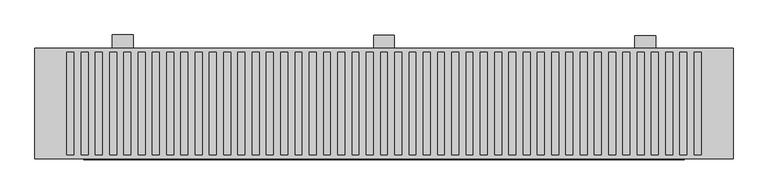
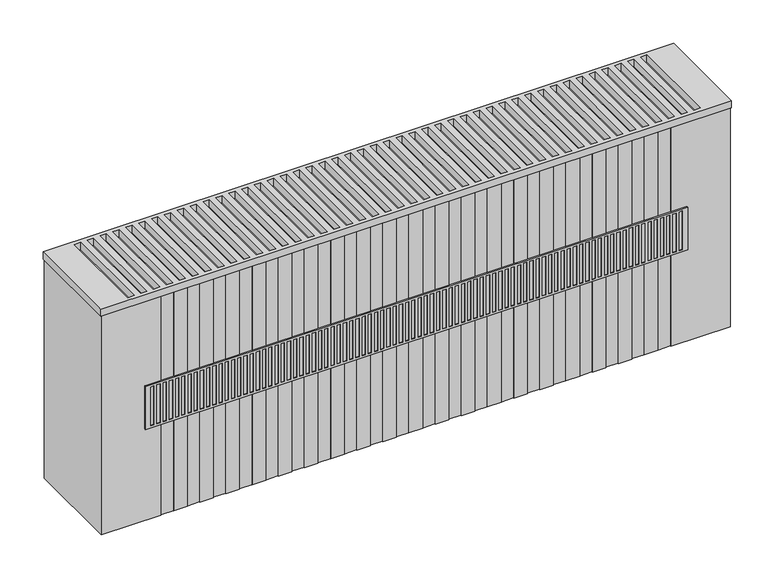
"""IFC4 building model written with IfcOpenShell, lengths in millimetres: proxy geometry."""

from ifc_helpers import new_model, si_unit, point, frame, frame_2d, origin, place, context, project, spatial, polyline, circle_curve, trimmed, segment, composite_curve, outline, extrude, faceted_brep, source, transform, mapped, element, save


def mechanical_equipment_153135a5(model_context):
    return source(origin(), model_context, "Body", "SolidModel", [
        extrude(outline(polyline([(0.5, 380.0), (0.5, 100.0), (0.5, 80.0), (-50.5, 80.0), (-65.5, 100.0), (-19.5, 100.0), (-19.5, 380.0), (0.5, 380.0)])), frame((-115.0, 0.0, 0.0), z_axis=(1.0, 0.0, 0.0), x_axis=(0.0, 1.0, 0.0)), (0.0, 0.0, 1.0), 30.0),
        extrude(outline(polyline([(0.0, 380.0), (0.0, 100.0), (0.0, 80.0), (-51.0, 80.0), (-66.0, 100.0), (-20.0, 100.0), (-20.0, 380.0), (0.0, 380.0)])), frame((260.0, 0.0, 0.0), z_axis=(1.0, 0.0, 0.0), x_axis=(0.0, 1.0, 0.0)), (0.0, 0.0, 1.0), 30.0),
        extrude(outline(polyline([(1.0, 380.0), (1.0, 100.0), (1.0, 80.0), (-50.0, 80.0), (-65.0, 100.0), (-19.0, 100.0), (-19.0, 380.0), (1.0, 380.0)])), frame((-490.0, 0.0, 0.0), z_axis=(1.0, 0.0, 0.0), x_axis=(0.0, 1.0, 0.0)), (0.0, 0.0, 1.0), 30.0),
        faceted_brep([(331.0, -178.0, 326.0), (331.0, -178.0, 254.0), (331.0, -176.0, 254.0), (331.0, -176.0, 326.0), (-531.0, -178.0, 254.0), (-531.0, -178.0, 326.0), (-531.0, -176.0, 326.0), (-531.0, -176.0, 254.0), (322.5, -178.0, 257.5), (317.5, -178.0, 257.5), (317.5, -178.0, 322.5), (322.5, -178.0, 322.5), (-507.6176471, -178.0, 257.5), (-512.6176471, -178.0, 257.5), (-512.6176471, -178.0, 322.5), (-507.6176471, -178.0, 322.5), (-497.7352941, -178.0, 257.5), (-502.7352941, -178.0, 257.5), (-502.7352941, -178.0, 322.5), (-497.7352941, -178.0, 322.5), (-487.8529412, -178.0, 257.5), (-492.8529412, -178.0, 257.5), (-492.8529412, -178.0, 322.5), (-487.8529412, -178.0, 322.5), (-477.9705882, -178.0, 257.5), (-482.9705882, -178.0, 257.5), (-482.9705882, -178.0, 322.5), (-477.9705882, -178.0, 322.5), (-468.0882353, -178.0, 257.5), (-473.0882353, -178.0, 257.5), (-473.0882353, -178.0, 322.5), (-468.0882353, -178.0, 322.5), (-458.2058824, -178.0, 257.5), (-463.2058824, -178.0, 257.5), (-463.2058824, -178.0, 322.5), (-458.2058824, -178.0, 322.5), (-448.3235294, -178.0, 257.5), (-453.3235294, -178.0, 257.5), (-453.3235294, -178.0, 322.5), (-448.3235294, -178.0, 322.5), (-438.4411765, -178.0, 257.5), (-443.4411765, -178.0, 257.5), (-443.4411765, -178.0, 322.5), (-438.4411765, -178.0, 322.5), (-428.5588235, -178.0, 257.5), (-433.5588235, -178.0, 257.5), (-433.5588235, -178.0, 322.5), (-428.5588235, -178.0, 322.5), (-418.6764706, -178.0, 257.5), (-423.6764706, -178.0, 257.5), (-423.6764706, -178.0, 322.5), (-418.6764706, -178.0, 322.5), (-408.7941176, -178.0, 257.5), (-413.7941176, -178.0, 257.5), (-413.7941176, -178.0, 322.5), (-408.7941176, -178.0, 322.5), (-398.9117647, -178.0, 257.5), (-403.9117647, -178.0, 257.5), (-403.9117647, -178.0, 322.5), (-398.9117647, -178.0, 322.5), (-389.0294118, -178.0, 257.5), (-394.0294118, -178.0, 257.5), (-394.0294118, -178.0, 322.5), (-389.0294118, -178.0, 322.5), (-379.1470588, -178.0, 257.5), (-384.1470588, -178.0, 257.5), (-384.1470588, -178.0, 322.5), (-379.1470588, -178.0, 322.5), (-369.2647059, -178.0, 257.5), (-374.2647059, -178.0, 257.5), (-374.2647059, -178.0, 322.5), (-369.2647059, -178.0, 322.5), (-359.3823529, -178.0, 257.5), (-364.3823529, -178.0, 257.5), (-364.3823529, -178.0, 322.5), (-359.3823529, -178.0, 322.5), (-349.5, -178.0, 257.5), (-354.5, -178.0, 257.5), (-354.5, -178.0, 322.5), (-349.5, -178.0, 322.5), (-339.6176471, -178.0, 257.5), (-344.6176471, -178.0, 257.5), (-344.6176471, -178.0, 322.5), (-339.6176471, -178.0, 322.5), (-329.7352941, -178.0, 257.5), (-334.7352941, -178.0, 257.5), (-334.7352941, -178.0, 322.5), (-329.7352941, -178.0, 322.5), (-319.8529412, -178.0, 257.5), (-324.8529412, -178.0, 257.5), (-324.8529412, -178.0, 322.5), (-319.8529412, -178.0, 322.5), (-309.9705882, -178.0, 257.5), (-314.9705882, -178.0, 257.5), (-314.9705882, -178.0, 322.5), (-309.9705882, -178.0, 322.5), (-300.0882353, -178.0, 257.5), (-305.0882353, -178.0, 257.5), (-305.0882353, -178.0, 322.5), (-300.0882353, -178.0, 322.5), (-290.2058824, -178.0, 257.5), (-295.2058824, -178.0, 257.5), (-295.2058824, -178.0, 322.5), (-290.2058824, -178.0, 322.5), (-280.3235294, -178.0, 257.5), (-285.3235294, -178.0, 257.5), (-285.3235294, -178.0, 322.5), (-280.3235294, -178.0, 322.5), (-270.4411765, -178.0, 257.5), (-275.4411765, -178.0, 257.5), (-275.4411765, -178.0, 322.5), (-270.4411765, -178.0, 322.5), (-260.5588235, -178.0, 257.5), (-265.5588235, -178.0, 257.5), (-265.5588235, -178.0, 322.5), (-260.5588235, -178.0, 322.5), (-250.6764706, -178.0, 257.5), (-255.6764706, -178.0, 257.5), (-255.6764706, -178.0, 322.5), (-250.6764706, -178.0, 322.5), (-240.7941176, -178.0, 257.5), (-245.7941176, -178.0, 257.5), (-245.7941176, -178.0, 322.5), (-240.7941176, -178.0, 322.5), (-230.9117647, -178.0, 257.5), (-235.9117647, -178.0, 257.5), (-235.9117647, -178.0, 322.5), (-230.9117647, -178.0, 322.5), (-221.0294118, -178.0, 257.5), (-226.0294118, -178.0, 257.5), (-226.0294118, -178.0, 322.5), (-221.0294118, -178.0, 322.5), (-211.1470588, -178.0, 257.5), (-216.1470588, -178.0, 257.5), (-216.1470588, -178.0, 322.5), (-211.1470588, -178.0, 322.5), (-201.2647059, -178.0, 257.5), (-206.2647059, -178.0, 257.5), (-206.2647059, -178.0, 322.5), (-201.2647059, -178.0, 322.5), (-191.3823529, -178.0, 257.5), (-196.3823529, -178.0, 257.5), (-196.3823529, -178.0, 322.5), (-191.3823529, -178.0, 322.5), (-181.5, -178.0, 257.5), (-186.5, -178.0, 257.5), (-186.5, -178.0, 322.5), (-181.5, -178.0, 322.5), (-171.6176471, -178.0, 257.5), (-176.6176471, -178.0, 257.5), (-176.6176471, -178.0, 322.5), (-171.6176471, -178.0, 322.5), (-161.7352941, -178.0, 257.5), (-166.7352941, -178.0, 257.5), (-166.7352941, -178.0, 322.5), (-161.7352941, -178.0, 322.5), (-151.8529412, -178.0, 257.5), (-156.8529412, -178.0, 257.5), (-156.8529412, -178.0, 322.5), (-151.8529412, -178.0, 322.5), (-141.9705882, -178.0, 257.5), (-146.9705882, -178.0, 257.5), (-146.9705882, -178.0, 322.5), (-141.9705882, -178.0, 322.5), (-132.0882353, -178.0, 257.5), (-137.0882353, -178.0, 257.5), (-137.0882353, -178.0, 322.5), (-132.0882353, -178.0, 322.5), (-122.2058824, -178.0, 257.5), (-127.2058824, -178.0, 257.5), (-127.2058824, -178.0, 322.5), (-122.2058824, -178.0, 322.5), (-112.3235294, -178.0, 257.5), (-117.3235294, -178.0, 257.5), (-117.3235294, -178.0, 322.5), (-112.3235294, -178.0, 322.5), (-102.4411765, -178.0, 257.5), (-107.4411765, -178.0, 257.5), (-107.4411765, -178.0, 322.5), (-102.4411765, -178.0, 322.5), (-92.5588235, -178.0, 257.5), (-97.5588235, -178.0, 257.5), (-97.5588235, -178.0, 322.5), (-92.5588235, -178.0, 322.5), (-82.6764706, -178.0, 257.5), (-87.6764706, -178.0, 257.5), (-87.6764706, -178.0, 322.5), (-82.6764706, -178.0, 322.5), (-72.7941176, -178.0, 257.5), (-77.7941176, -178.0, 257.5), (-77.7941176, -178.0, 322.5), (-72.7941176, -178.0, 322.5), (-62.9117647, -178.0, 257.5), (-67.9117647, -178.0, 257.5), (-67.9117647, -178.0, 322.5), (-62.9117647, -178.0, 322.5), (-53.0294118, -178.0, 257.5), (-58.0294118, -178.0, 257.5), (-58.0294118, -178.0, 322.5), (-53.0294118, -178.0, 322.5), (-43.1470588, -178.0, 257.5), (-48.1470588, -178.0, 257.5), (-48.1470588, -178.0, 322.5), (-43.1470588, -178.0, 322.5), (-33.2647059, -178.0, 257.5), (-38.2647059, -178.0, 257.5), (-38.2647059, -178.0, 322.5), (-33.2647059, -178.0, 322.5), (-23.3823529, -178.0, 257.5), (-28.3823529, -178.0, 257.5), (-28.3823529, -178.0, 322.5), (-23.3823529, -178.0, 322.5), (-13.5, -178.0, 257.5), (-18.5, -178.0, 257.5), (-18.5, -178.0, 322.5), (-13.5, -178.0, 322.5), (-3.6176471, -178.0, 257.5), (-8.6176471, -178.0, 257.5), (-8.6176471, -178.0, 322.5), (-3.6176471, -178.0, 322.5), (6.2647059, -178.0, 257.5), (1.2647059, -178.0, 257.5), (1.2647059, -178.0, 322.5), (6.2647059, -178.0, 322.5), (16.1470588, -178.0, 257.5), (11.1470588, -178.0, 257.5), (11.1470588, -178.0, 322.5), (16.1470588, -178.0, 322.5), (26.0294118, -178.0, 257.5), (21.0294118, -178.0, 257.5), (21.0294118, -178.0, 322.5), (26.0294118, -178.0, 322.5), (35.9117647, -178.0, 257.5), (30.9117647, -178.0, 257.5), (30.9117647, -178.0, 322.5), (35.9117647, -178.0, 322.5), (45.7941176, -178.0, 257.5), (40.7941176, -178.0, 257.5), (40.7941176, -178.0, 322.5), (45.7941176, -178.0, 322.5), (55.6764706, -178.0, 257.5), (50.6764706, -178.0, 257.5), (50.6764706, -178.0, 322.5), (55.6764706, -178.0, 322.5), (65.5588235, -178.0, 257.5), (60.5588235, -178.0, 257.5), (60.5588235, -178.0, 322.5), (65.5588235, -178.0, 322.5), (75.4411765, -178.0, 257.5), (70.4411765, -178.0, 257.5), (70.4411765, -178.0, 322.5), (75.4411765, -178.0, 322.5), (85.3235294, -178.0, 257.5), (80.3235294, -178.0, 257.5), (80.3235294, -178.0, 322.5), (85.3235294, -178.0, 322.5), (95.2058824, -178.0, 257.5), (90.2058824, -178.0, 257.5), (90.2058824, -178.0, 322.5), (95.2058824, -178.0, 322.5), (105.0882353, -178.0, 257.5), (100.0882353, -178.0, 257.5), (100.0882353, -178.0, 322.5), (105.0882353, -178.0, 322.5), (114.9705882, -178.0, 257.5), (109.9705882, -178.0, 257.5), (109.9705882, -178.0, 322.5), (114.9705882, -178.0, 322.5), (124.8529412, -178.0, 257.5), (119.8529412, -178.0, 257.5), (119.8529412, -178.0, 322.5), (124.8529412, -178.0, 322.5), (134.7352941, -178.0, 257.5), (129.7352941, -178.0, 257.5), (129.7352941, -178.0, 322.5), (134.7352941, -178.0, 322.5), (144.6176471, -178.0, 257.5), (139.6176471, -178.0, 257.5), (139.6176471, -178.0, 322.5), (144.6176471, -178.0, 322.5), (154.5, -178.0, 257.5), (149.5, -178.0, 257.5), (149.5, -178.0, 322.5), (154.5, -178.0, 322.5), (164.3823529, -178.0, 257.5), (159.3823529, -178.0, 257.5), (159.3823529, -178.0, 322.5), (164.3823529, -178.0, 322.5), (174.2647059, -178.0, 257.5), (169.2647059, -178.0, 257.5), (169.2647059, -178.0, 322.5), (174.2647059, -178.0, 322.5), (184.1470588, -178.0, 257.5), (179.1470588, -178.0, 257.5), (179.1470588, -178.0, 322.5), (184.1470588, -178.0, 322.5), (194.0294118, -178.0, 257.5), (189.0294118, -178.0, 257.5), (189.0294118, -178.0, 322.5), (194.0294118, -178.0, 322.5), (203.9117647, -178.0, 257.5), (198.9117647, -178.0, 257.5), (198.9117647, -178.0, 322.5), (203.9117647, -178.0, 322.5), (213.7941176, -178.0, 257.5), (208.7941176, -178.0, 257.5), (208.7941176, -178.0, 322.5), (213.7941176, -178.0, 322.5), (223.6764706, -178.0, 257.5), (218.6764706, -178.0, 257.5), (218.6764706, -178.0, 322.5), (223.6764706, -178.0, 322.5), (233.5588235, -178.0, 257.5), (228.5588235, -178.0, 257.5), (228.5588235, -178.0, 322.5), (233.5588235, -178.0, 322.5), (243.4411765, -178.0, 257.5), (238.4411765, -178.0, 257.5), (238.4411765, -178.0, 322.5), (243.4411765, -178.0, 322.5), (253.3235294, -178.0, 257.5), (248.3235294, -178.0, 257.5), (248.3235294, -178.0, 322.5), (253.3235294, -178.0, 322.5), (263.2058824, -178.0, 257.5), (258.2058824, -178.0, 257.5), (258.2058824, -178.0, 322.5), (263.2058824, -178.0, 322.5), (273.0882353, -178.0, 257.5), (268.0882353, -178.0, 257.5), (268.0882353, -178.0, 322.5), (273.0882353, -178.0, 322.5), (282.9705882, -178.0, 257.5), (277.9705882, -178.0, 257.5), (277.9705882, -178.0, 322.5), (282.9705882, -178.0, 322.5), (292.8529412, -178.0, 257.5), (287.8529412, -178.0, 257.5), (287.8529412, -178.0, 322.5), (292.8529412, -178.0, 322.5), (302.7352941, -178.0, 257.5), (297.7352941, -178.0, 257.5), (297.7352941, -178.0, 322.5), (302.7352941, -178.0, 322.5), (312.6176471, -178.0, 257.5), (307.6176471, -178.0, 257.5), (307.6176471, -178.0, 322.5), (312.6176471, -178.0, 322.5), (-517.5, -178.0, 257.5), (-522.5, -178.0, 257.5), (-522.5, -178.0, 322.5), (-517.5, -178.0, 322.5), (317.5, -177.0, 257.5), (322.5, -177.0, 257.5), (322.5, -177.0, 322.5), (317.5, -177.0, 322.5), (-512.6176471, -177.0, 257.5), (-507.6176471, -177.0, 257.5), (-507.6176471, -177.0, 322.5), (-512.6176471, -177.0, 322.5), (-502.7352941, -177.0, 257.5), (-497.7352941, -177.0, 257.5), (-497.7352941, -177.0, 322.5), (-502.7352941, -177.0, 322.5), (-492.8529412, -177.0, 257.5), (-487.8529412, -177.0, 257.5), (-487.8529412, -177.0, 322.5), (-492.8529412, -177.0, 322.5), (-482.9705882, -177.0, 257.5), (-477.9705882, -177.0, 257.5), (-477.9705882, -177.0, 322.5), (-482.9705882, -177.0, 322.5), (-473.0882353, -177.0, 257.5), (-468.0882353, -177.0, 257.5), (-468.0882353, -177.0, 322.5), (-473.0882353, -177.0, 322.5), (-463.2058824, -177.0, 257.5), (-458.2058824, -177.0, 257.5), (-458.2058824, -177.0, 322.5), (-463.2058824, -177.0, 322.5), (-453.3235294, -177.0, 257.5), (-448.3235294, -177.0, 257.5), (-448.3235294, -177.0, 322.5), (-453.3235294, -177.0, 322.5), (-443.4411765, -177.0, 257.5), (-438.4411765, -177.0, 257.5), (-438.4411765, -177.0, 322.5), (-443.4411765, -177.0, 322.5), (-433.5588235, -177.0, 257.5), (-428.5588235, -177.0, 257.5), (-428.5588235, -177.0, 322.5), (-433.5588235, -177.0, 322.5), (-423.6764706, -177.0, 257.5), (-418.6764706, -177.0, 257.5), (-418.6764706, -177.0, 322.5), (-423.6764706, -177.0, 322.5), (-413.7941176, -177.0, 257.5), (-408.7941176, -177.0, 257.5), (-408.7941176, -177.0, 322.5), (-413.7941176, -177.0, 322.5), (-403.9117647, -177.0, 257.5), (-398.9117647, -177.0, 257.5), (-398.9117647, -177.0, 322.5), (-403.9117647, -177.0, 322.5), (-394.0294118, -177.0, 257.5), (-389.0294118, -177.0, 257.5), (-389.0294118, -177.0, 322.5), (-394.0294118, -177.0, 322.5), (-384.1470588, -177.0, 257.5), (-379.1470588, -177.0, 257.5), (-379.1470588, -177.0, 322.5), (-384.1470588, -177.0, 322.5), (-374.2647059, -177.0, 257.5), (-369.2647059, -177.0, 257.5), (-369.2647059, -177.0, 322.5), (-374.2647059, -177.0, 322.5), (-364.3823529, -177.0, 257.5), (-359.3823529, -177.0, 257.5), (-359.3823529, -177.0, 322.5), (-364.3823529, -177.0, 322.5), (-354.5, -177.0, 257.5), (-349.5, -177.0, 257.5), (-349.5, -177.0, 322.5), (-354.5, -177.0, 322.5), (-344.6176471, -177.0, 257.5), (-339.6176471, -177.0, 257.5), (-339.6176471, -177.0, 322.5), (-344.6176471, -177.0, 322.5), (-334.7352941, -177.0, 257.5), (-329.7352941, -177.0, 257.5), (-329.7352941, -177.0, 322.5), (-334.7352941, -177.0, 322.5), (-324.8529412, -177.0, 257.5), (-319.8529412, -177.0, 257.5), (-319.8529412, -177.0, 322.5), (-324.8529412, -177.0, 322.5), (-314.9705882, -177.0, 257.5), (-309.9705882, -177.0, 257.5), (-309.9705882, -177.0, 322.5), (-314.9705882, -177.0, 322.5), (-305.0882353, -177.0, 257.5), (-300.0882353, -177.0, 257.5), (-300.0882353, -177.0, 322.5), (-305.0882353, -177.0, 322.5), (-295.2058824, -177.0, 257.5), (-290.2058824, -177.0, 257.5), (-290.2058824, -177.0, 322.5), (-295.2058824, -177.0, 322.5), (-285.3235294, -177.0, 257.5), (-280.3235294, -177.0, 257.5), (-280.3235294, -177.0, 322.5), (-285.3235294, -177.0, 322.5), (-275.4411765, -177.0, 257.5), (-270.4411765, -177.0, 257.5), (-270.4411765, -177.0, 322.5), (-275.4411765, -177.0, 322.5), (-265.5588235, -177.0, 257.5), (-260.5588235, -177.0, 257.5), (-260.5588235, -177.0, 322.5), (-265.5588235, -177.0, 322.5), (-255.6764706, -177.0, 257.5), (-250.6764706, -177.0, 257.5), (-250.6764706, -177.0, 322.5), (-255.6764706, -177.0, 322.5), (-245.7941176, -177.0, 257.5), (-240.7941176, -177.0, 257.5), (-240.7941176, -177.0, 322.5), (-245.7941176, -177.0, 322.5), (-235.9117647, -177.0, 257.5), (-230.9117647, -177.0, 257.5), (-230.9117647, -177.0, 322.5), (-235.9117647, -177.0, 322.5), (-226.0294118, -177.0, 257.5), (-221.0294118, -177.0, 257.5), (-221.0294118, -177.0, 322.5), (-226.0294118, -177.0, 322.5), (-216.1470588, -177.0, 257.5), (-211.1470588, -177.0, 257.5), (-211.1470588, -177.0, 322.5), (-216.1470588, -177.0, 322.5), (-206.2647059, -177.0, 257.5), (-201.2647059, -177.0, 257.5), (-201.2647059, -177.0, 322.5), (-206.2647059, -177.0, 322.5), (-196.3823529, -177.0, 257.5), (-191.3823529, -177.0, 257.5), (-191.3823529, -177.0, 322.5), (-196.3823529, -177.0, 322.5), (-186.5, -177.0, 257.5), (-181.5, -177.0, 257.5), (-181.5, -177.0, 322.5), (-186.5, -177.0, 322.5), (-176.6176471, -177.0, 257.5), (-171.6176471, -177.0, 257.5), (-171.6176471, -177.0, 322.5), (-176.6176471, -177.0, 322.5), (-166.7352941, -177.0, 257.5), (-161.7352941, -177.0, 257.5), (-161.7352941, -177.0, 322.5), (-166.7352941, -177.0, 322.5), (-156.8529412, -177.0, 257.5), (-151.8529412, -177.0, 257.5), (-151.8529412, -177.0, 322.5), (-156.8529412, -177.0, 322.5), (-146.9705882, -177.0, 257.5), (-141.9705882, -177.0, 257.5), (-141.9705882, -177.0, 322.5), (-146.9705882, -177.0, 322.5), (-137.0882353, -177.0, 257.5), (-132.0882353, -177.0, 257.5), (-132.0882353, -177.0, 322.5), (-137.0882353, -177.0, 322.5), (-127.2058824, -177.0, 257.5), (-122.2058824, -177.0, 257.5), (-122.2058824, -177.0, 322.5), (-127.2058824, -177.0, 322.5), (-117.3235294, -177.0, 257.5), (-112.3235294, -177.0, 257.5), (-112.3235294, -177.0, 322.5), (-117.3235294, -177.0, 322.5), (-107.4411765, -177.0, 257.5), (-102.4411765, -177.0, 257.5), (-102.4411765, -177.0, 322.5), (-107.4411765, -177.0, 322.5), (-97.5588235, -177.0, 257.5), (-92.5588235, -177.0, 257.5), (-92.5588235, -177.0, 322.5), (-97.5588235, -177.0, 322.5), (-87.6764706, -177.0, 257.5), (-82.6764706, -177.0, 257.5), (-82.6764706, -177.0, 322.5), (-87.6764706, -177.0, 322.5), (-77.7941176, -177.0, 257.5), (-72.7941176, -177.0, 257.5), (-72.7941176, -177.0, 322.5), (-77.7941176, -177.0, 322.5), (-67.9117647, -177.0, 257.5), (-62.9117647, -177.0, 257.5), (-62.9117647, -177.0, 322.5), (-67.9117647, -177.0, 322.5), (-58.0294118, -177.0, 257.5), (-53.0294118, -177.0, 257.5), (-53.0294118, -177.0, 322.5), (-58.0294118, -177.0, 322.5), (-48.1470588, -177.0, 257.5), (-43.1470588, -177.0, 257.5), (-43.1470588, -177.0, 322.5), (-48.1470588, -177.0, 322.5), (-38.2647059, -177.0, 257.5), (-33.2647059, -177.0, 257.5), (-33.2647059, -177.0, 322.5), (-38.2647059, -177.0, 322.5), (-28.3823529, -177.0, 257.5), (-23.3823529, -177.0, 257.5), (-23.3823529, -177.0, 322.5), (-28.3823529, -177.0, 322.5), (-18.5, -177.0, 257.5), (-13.5, -177.0, 257.5), (-13.5, -177.0, 322.5), (-18.5, -177.0, 322.5), (-8.6176471, -177.0, 257.5), (-3.6176471, -177.0, 257.5), (-3.6176471, -177.0, 322.5), (-8.6176471, -177.0, 322.5), (1.2647059, -177.0, 257.5), (6.2647059, -177.0, 257.5), (6.2647059, -177.0, 322.5), (1.2647059, -177.0, 322.5), (11.1470588, -177.0, 257.5), (16.1470588, -177.0, 257.5), (16.1470588, -177.0, 322.5), (11.1470588, -177.0, 322.5), (21.0294118, -177.0, 257.5), (26.0294118, -177.0, 257.5), (26.0294118, -177.0, 322.5), (21.0294118, -177.0, 322.5), (30.9117647, -177.0, 257.5), (35.9117647, -177.0, 257.5), (35.9117647, -177.0, 322.5), (30.9117647, -177.0, 322.5), (40.7941176, -177.0, 257.5), (45.7941176, -177.0, 257.5), (45.7941176, -177.0, 322.5), (40.7941176, -177.0, 322.5), (50.6764706, -177.0, 257.5), (55.6764706, -177.0, 257.5), (55.6764706, -177.0, 322.5), (50.6764706, -177.0, 322.5), (60.5588235, -177.0, 257.5), (65.5588235, -177.0, 257.5), (65.5588235, -177.0, 322.5), (60.5588235, -177.0, 322.5), (70.4411765, -177.0, 257.5), (75.4411765, -177.0, 257.5), (75.4411765, -177.0, 322.5), (70.4411765, -177.0, 322.5), (80.3235294, -177.0, 257.5), (85.3235294, -177.0, 257.5), (85.3235294, -177.0, 322.5), (80.3235294, -177.0, 322.5), (90.2058824, -177.0, 257.5), (95.2058824, -177.0, 257.5), (95.2058824, -177.0, 322.5), (90.2058824, -177.0, 322.5), (100.0882353, -177.0, 257.5), (105.0882353, -177.0, 257.5), (105.0882353, -177.0, 322.5), (100.0882353, -177.0, 322.5), (109.9705882, -177.0, 257.5), (114.9705882, -177.0, 257.5), (114.9705882, -177.0, 322.5), (109.9705882, -177.0, 322.5), (119.8529412, -177.0, 257.5), (124.8529412, -177.0, 257.5), (124.8529412, -177.0, 322.5), (119.8529412, -177.0, 322.5), (129.7352941, -177.0, 257.5), (134.7352941, -177.0, 257.5), (134.7352941, -177.0, 322.5), (129.7352941, -177.0, 322.5), (139.6176471, -177.0, 257.5), (144.6176471, -177.0, 257.5), (144.6176471, -177.0, 322.5), (139.6176471, -177.0, 322.5), (149.5, -177.0, 257.5), (154.5, -177.0, 257.5), (154.5, -177.0, 322.5), (149.5, -177.0, 322.5), (159.3823529, -177.0, 257.5), (164.3823529, -177.0, 257.5), (164.3823529, -177.0, 322.5), (159.3823529, -177.0, 322.5), (169.2647059, -177.0, 257.5), (174.2647059, -177.0, 257.5), (174.2647059, -177.0, 322.5), (169.2647059, -177.0, 322.5), (179.1470588, -177.0, 257.5), (184.1470588, -177.0, 257.5), (184.1470588, -177.0, 322.5), (179.1470588, -177.0, 322.5), (189.0294118, -177.0, 257.5), (194.0294118, -177.0, 257.5), (194.0294118, -177.0, 322.5), (189.0294118, -177.0, 322.5), (198.9117647, -177.0, 257.5), (203.9117647, -177.0, 257.5), (203.9117647, -177.0, 322.5), (198.9117647, -177.0, 322.5), (208.7941176, -177.0, 257.5), (213.7941176, -177.0, 257.5), (213.7941176, -177.0, 322.5), (208.7941176, -177.0, 322.5), (218.6764706, -177.0, 257.5), (223.6764706, -177.0, 257.5), (223.6764706, -177.0, 322.5), (218.6764706, -177.0, 322.5), (228.5588235, -177.0, 257.5), (233.5588235, -177.0, 257.5), (233.5588235, -177.0, 322.5), (228.5588235, -177.0, 322.5), (238.4411765, -177.0, 257.5), (243.4411765, -177.0, 257.5), (243.4411765, -177.0, 322.5), (238.4411765, -177.0, 322.5), (248.3235294, -177.0, 257.5), (253.3235294, -177.0, 257.5), (253.3235294, -177.0, 322.5), (248.3235294, -177.0, 322.5), (258.2058824, -177.0, 257.5), (263.2058824, -177.0, 257.5), (263.2058824, -177.0, 322.5), (258.2058824, -177.0, 322.5), (268.0882353, -177.0, 257.5), (273.0882353, -177.0, 257.5), (273.0882353, -177.0, 322.5), (268.0882353, -177.0, 322.5), (277.9705882, -177.0, 257.5), (282.9705882, -177.0, 257.5), (282.9705882, -177.0, 322.5), (277.9705882, -177.0, 322.5), (287.8529412, -177.0, 257.5), (292.8529412, -177.0, 257.5), (292.8529412, -177.0, 322.5), (287.8529412, -177.0, 322.5), (297.7352941, -177.0, 257.5), (302.7352941, -177.0, 257.5), (302.7352941, -177.0, 322.5), (297.7352941, -177.0, 322.5), (307.6176471, -177.0, 257.5), (312.6176471, -177.0, 257.5), (312.6176471, -177.0, 322.5), (307.6176471, -177.0, 322.5), (-522.5, -177.0, 257.5), (-517.5, -177.0, 257.5), (-517.5, -177.0, 322.5), (-522.5, -177.0, 322.5)], [[[0, 1, 2, 3]], [[4, 5, 6, 7]], [[1, 0, 5, 4], [8, 9, 10, 11], [12, 13, 14, 15], [16, 17, 18, 19], [20, 21, 22, 23], [24, 25, 26, 27], [28, 29, 30, 31], [32, 33, 34, 35], [36, 37, 38, 39], [40, 41, 42, 43], [44, 45, 46, 47], [48, 49, 50, 51], [52, 53, 54, 55], [56, 57, 58, 59], [60, 61, 62, 63], [64, 65, 66, 67], [68, 69, 70, 71], [72, 73, 74, 75], [76, 77, 78, 79], [80, 81, 82, 83], [84, 85, 86, 87], [88, 89, 90, 91], [92, 93, 94, 95], [96, 97, 98, 99], [100, 101, 102, 103], [104, 105, 106, 107], [108, 109, 110, 111], [112, 113, 114, 115], [116, 117, 118, 119], [120, 121, 122, 123], [124, 125, 126, 127], [128, 129, 130, 131], [132, 133, 134, 135], [136, 137, 138, 139], [140, 141, 142, 143], [144, 145, 146, 147], [148, 149, 150, 151], [152, 153, 154, 155], [156, 157, 158, 159], [160, 161, 162, 163], [164, 165, 166, 167], [168, 169, 170, 171], [172, 173, 174, 175], [176, 177, 178, 179], [180, 181, 182, 183], [184, 185, 186, 187], [188, 189, 190, 191], [192, 193, 194, 195], [196, 197, 198, 199], [200, 201, 202, 203], [204, 205, 206, 207], [208, 209, 210, 211], [212, 213, 214, 215], [216, 217, 218, 219], [220, 221, 222, 223], [224, 225, 226, 227], [228, 229, 230, 231], [232, 233, 234, 235], [236, 237, 238, 239], [240, 241, 242, 243], [244, 245, 246, 247], [248, 249, 250, 251], [252, 253, 254, 255], [256, 257, 258, 259], [260, 261, 262, 263], [264, 265, 266, 267], [268, 269, 270, 271], [272, 273, 274, 275], [276, 277, 278, 279], [280, 281, 282, 283], [284, 285, 286, 287], [288, 289, 290, 291], [292, 293, 294, 295], [296, 297, 298, 299], [300, 301, 302, 303], [304, 305, 306, 307], [308, 309, 310, 311], [312, 313, 314, 315], [316, 317, 318, 319], [320, 321, 322, 323], [324, 325, 326, 327], [328, 329, 330, 331], [332, 333, 334, 335], [336, 337, 338, 339], [340, 341, 342, 343], [344, 345, 346, 347], [348, 349, 350, 351]], [[3, 2, 7, 6]], [[2, 1, 4, 7]], [[0, 3, 6, 5]], [[352, 353, 354, 355]], [[353, 352, 9, 8]], [[354, 353, 8, 11]], [[355, 354, 11, 10]], [[352, 355, 10, 9]], [[356, 357, 358, 359]], [[357, 356, 13, 12]], [[358, 357, 12, 15]], [[359, 358, 15, 14]], [[356, 359, 14, 13]], [[360, 361, 362, 363]], [[361, 360, 17, 16]], [[362, 361, 16, 19]], [[363, 362, 19, 18]], [[360, 363, 18, 17]], [[364, 365, 366, 367]], [[365, 364, 21, 20]], [[366, 365, 20, 23]], [[367, 366, 23, 22]], [[364, 367, 22, 21]], [[368, 369, 370, 371]], [[369, 368, 25, 24]], [[370, 369, 24, 27]], [[371, 370, 27, 26]], [[368, 371, 26, 25]], [[372, 373, 374, 375]], [[373, 372, 29, 28]], [[374, 373, 28, 31]], [[375, 374, 31, 30]], [[372, 375, 30, 29]], [[376, 377, 378, 379]], [[377, 376, 33, 32]], [[378, 377, 32, 35]], [[379, 378, 35, 34]], [[376, 379, 34, 33]], [[380, 381, 382, 383]], [[381, 380, 37, 36]], [[382, 381, 36, 39]], [[383, 382, 39, 38]], [[380, 383, 38, 37]], [[384, 385, 386, 387]], [[385, 384, 41, 40]], [[386, 385, 40, 43]], [[387, 386, 43, 42]], [[384, 387, 42, 41]], [[388, 389, 390, 391]], [[389, 388, 45, 44]], [[390, 389, 44, 47]], [[391, 390, 47, 46]], [[388, 391, 46, 45]], [[392, 393, 394, 395]], [[393, 392, 49, 48]], [[394, 393, 48, 51]], [[395, 394, 51, 50]], [[392, 395, 50, 49]], [[396, 397, 398, 399]], [[397, 396, 53, 52]], [[398, 397, 52, 55]], [[399, 398, 55, 54]], [[396, 399, 54, 53]], [[400, 401, 402, 403]], [[401, 400, 57, 56]], [[402, 401, 56, 59]], [[403, 402, 59, 58]], [[400, 403, 58, 57]], [[404, 405, 406, 407]], [[405, 404, 61, 60]], [[406, 405, 60, 63]], [[407, 406, 63, 62]], [[404, 407, 62, 61]], [[408, 409, 410, 411]], [[409, 408, 65, 64]], [[410, 409, 64, 67]], [[411, 410, 67, 66]], [[408, 411, 66, 65]], [[412, 413, 414, 415]], [[413, 412, 69, 68]], [[414, 413, 68, 71]], [[415, 414, 71, 70]], [[412, 415, 70, 69]], [[416, 417, 418, 419]], [[417, 416, 73, 72]], [[418, 417, 72, 75]], [[419, 418, 75, 74]], [[416, 419, 74, 73]], [[420, 421, 422, 423]], [[421, 420, 77, 76]], [[422, 421, 76, 79]], [[423, 422, 79, 78]], [[420, 423, 78, 77]], [[424, 425, 426, 427]], [[425, 424, 81, 80]], [[426, 425, 80, 83]], [[427, 426, 83, 82]], [[424, 427, 82, 81]], [[428, 429, 430, 431]], [[429, 428, 85, 84]], [[430, 429, 84, 87]], [[431, 430, 87, 86]], [[428, 431, 86, 85]], [[432, 433, 434, 435]], [[433, 432, 89, 88]], [[434, 433, 88, 91]], [[435, 434, 91, 90]], [[432, 435, 90, 89]], [[436, 437, 438, 439]], [[437, 436, 93, 92]], [[438, 437, 92, 95]], [[439, 438, 95, 94]], [[436, 439, 94, 93]], [[440, 441, 442, 443]], [[441, 440, 97, 96]], [[442, 441, 96, 99]], [[443, 442, 99, 98]], [[440, 443, 98, 97]], [[444, 445, 446, 447]], [[445, 444, 101, 100]], [[446, 445, 100, 103]], [[447, 446, 103, 102]], [[444, 447, 102, 101]], [[448, 449, 450, 451]], [[449, 448, 105, 104]], [[450, 449, 104, 107]], [[451, 450, 107, 106]], [[448, 451, 106, 105]], [[452, 453, 454, 455]], [[453, 452, 109, 108]], [[454, 453, 108, 111]], [[455, 454, 111, 110]], [[452, 455, 110, 109]], [[456, 457, 458, 459]], [[457, 456, 113, 112]], [[458, 457, 112, 115]], [[459, 458, 115, 114]], [[456, 459, 114, 113]], [[460, 461, 462, 463]], [[461, 460, 117, 116]], [[462, 461, 116, 119]], [[463, 462, 119, 118]], [[460, 463, 118, 117]], [[464, 465, 466, 467]], [[465, 464, 121, 120]], [[466, 465, 120, 123]], [[467, 466, 123, 122]], [[464, 467, 122, 121]], [[468, 469, 470, 471]], [[469, 468, 125, 124]], [[470, 469, 124, 127]], [[471, 470, 127, 126]], [[468, 471, 126, 125]], [[472, 473, 474, 475]], [[473, 472, 129, 128]], [[474, 473, 128, 131]], [[475, 474, 131, 130]], [[472, 475, 130, 129]], [[476, 477, 478, 479]], [[477, 476, 133, 132]], [[478, 477, 132, 135]], [[479, 478, 135, 134]], [[476, 479, 134, 133]], [[480, 481, 482, 483]], [[481, 480, 137, 136]], [[482, 481, 136, 139]], [[483, 482, 139, 138]], [[480, 483, 138, 137]], [[484, 485, 486, 487]], [[485, 484, 141, 140]], [[486, 485, 140, 143]], [[487, 486, 143, 142]], [[484, 487, 142, 141]], [[488, 489, 490, 491]], [[489, 488, 145, 144]], [[490, 489, 144, 147]], [[491, 490, 147, 146]], [[488, 491, 146, 145]], [[492, 493, 494, 495]], [[493, 492, 149, 148]], [[494, 493, 148, 151]], [[495, 494, 151, 150]], [[492, 495, 150, 149]], [[496, 497, 498, 499]], [[497, 496, 153, 152]], [[498, 497, 152, 155]], [[499, 498, 155, 154]], [[496, 499, 154, 153]], [[500, 501, 502, 503]], [[501, 500, 157, 156]], [[502, 501, 156, 159]], [[503, 502, 159, 158]], [[500, 503, 158, 157]], [[504, 505, 506, 507]], [[505, 504, 161, 160]], [[506, 505, 160, 163]], [[507, 506, 163, 162]], [[504, 507, 162, 161]], [[508, 509, 510, 511]], [[509, 508, 165, 164]], [[510, 509, 164, 167]], [[511, 510, 167, 166]], [[508, 511, 166, 165]], [[512, 513, 514, 515]], [[513, 512, 169, 168]], [[514, 513, 168, 171]], [[515, 514, 171, 170]], [[512, 515, 170, 169]], [[516, 517, 518, 519]], [[517, 516, 173, 172]], [[518, 517, 172, 175]], [[519, 518, 175, 174]], [[516, 519, 174, 173]], [[520, 521, 522, 523]], [[521, 520, 177, 176]], [[522, 521, 176, 179]], [[523, 522, 179, 178]], [[520, 523, 178, 177]], [[524, 525, 526, 527]], [[525, 524, 181, 180]], [[526, 525, 180, 183]], [[527, 526, 183, 182]], [[524, 527, 182, 181]], [[528, 529, 530, 531]], [[529, 528, 185, 184]], [[530, 529, 184, 187]], [[531, 530, 187, 186]], [[528, 531, 186, 185]], [[532, 533, 534, 535]], [[533, 532, 189, 188]], [[534, 533, 188, 191]], [[535, 534, 191, 190]], [[532, 535, 190, 189]], [[536, 537, 538, 539]], [[537, 536, 193, 192]], [[538, 537, 192, 195]], [[539, 538, 195, 194]], [[536, 539, 194, 193]], [[540, 541, 542, 543]], [[541, 540, 197, 196]], [[542, 541, 196, 199]], [[543, 542, 199, 198]], [[540, 543, 198, 197]], [[544, 545, 546, 547]], [[545, 544, 201, 200]], [[546, 545, 200, 203]], [[547, 546, 203, 202]], [[544, 547, 202, 201]], [[548, 549, 550, 551]], [[549, 548, 205, 204]], [[550, 549, 204, 207]], [[551, 550, 207, 206]], [[548, 551, 206, 205]], [[552, 553, 554, 555]], [[553, 552, 209, 208]], [[554, 553, 208, 211]], [[555, 554, 211, 210]], [[552, 555, 210, 209]], [[556, 557, 558, 559]], [[557, 556, 213, 212]], [[558, 557, 212, 215]], [[559, 558, 215, 214]], [[556, 559, 214, 213]], [[560, 561, 562, 563]], [[561, 560, 217, 216]], [[562, 561, 216, 219]], [[563, 562, 219, 218]], [[560, 563, 218, 217]], [[564, 565, 566, 567]], [[565, 564, 221, 220]], [[566, 565, 220, 223]], [[567, 566, 223, 222]], [[564, 567, 222, 221]], [[568, 569, 570, 571]], [[569, 568, 225, 224]], [[570, 569, 224, 227]], [[571, 570, 227, 226]], [[568, 571, 226, 225]], [[572, 573, 574, 575]], [[573, 572, 229, 228]], [[574, 573, 228, 231]], [[575, 574, 231, 230]], [[572, 575, 230, 229]], [[576, 577, 578, 579]], [[577, 576, 233, 232]], [[578, 577, 232, 235]], [[579, 578, 235, 234]], [[576, 579, 234, 233]], [[580, 581, 582, 583]], [[581, 580, 237, 236]], [[582, 581, 236, 239]], [[583, 582, 239, 238]], [[580, 583, 238, 237]], [[584, 585, 586, 587]], [[585, 584, 241, 240]], [[586, 585, 240, 243]], [[587, 586, 243, 242]], [[584, 587, 242, 241]], [[588, 589, 590, 591]], [[589, 588, 245, 244]], [[590, 589, 244, 247]], [[591, 590, 247, 246]], [[588, 591, 246, 245]], [[592, 593, 594, 595]], [[593, 592, 249, 248]], [[594, 593, 248, 251]], [[595, 594, 251, 250]], [[592, 595, 250, 249]], [[596, 597, 598, 599]], [[597, 596, 253, 252]], [[598, 597, 252, 255]], [[599, 598, 255, 254]], [[596, 599, 254, 253]], [[600, 601, 602, 603]], [[601, 600, 257, 256]], [[602, 601, 256, 259]], [[603, 602, 259, 258]], [[600, 603, 258, 257]], [[604, 605, 606, 607]], [[605, 604, 261, 260]], [[606, 605, 260, 263]], [[607, 606, 263, 262]], [[604, 607, 262, 261]], [[608, 609, 610, 611]], [[609, 608, 265, 264]], [[610, 609, 264, 267]], [[611, 610, 267, 266]], [[608, 611, 266, 265]], [[612, 613, 614, 615]], [[613, 612, 269, 268]], [[614, 613, 268, 271]], [[615, 614, 271, 270]], [[612, 615, 270, 269]], [[616, 617, 618, 619]], [[617, 616, 273, 272]], [[618, 617, 272, 275]], [[619, 618, 275, 274]], [[616, 619, 274, 273]], [[620, 621, 622, 623]], [[621, 620, 277, 276]], [[622, 621, 276, 279]], [[623, 622, 279, 278]], [[620, 623, 278, 277]], [[624, 625, 626, 627]], [[625, 624, 281, 280]], [[626, 625, 280, 283]], [[627, 626, 283, 282]], [[624, 627, 282, 281]], [[628, 629, 630, 631]], [[629, 628, 285, 284]], [[630, 629, 284, 287]], [[631, 630, 287, 286]], [[628, 631, 286, 285]], [[632, 633, 634, 635]], [[633, 632, 289, 288]], [[634, 633, 288, 291]], [[635, 634, 291, 290]], [[632, 635, 290, 289]], [[636, 637, 638, 639]], [[637, 636, 293, 292]], [[638, 637, 292, 295]], [[639, 638, 295, 294]], [[636, 639, 294, 293]], [[640, 641, 642, 643]], [[641, 640, 297, 296]], [[642, 641, 296, 299]], [[643, 642, 299, 298]], [[640, 643, 298, 297]], [[644, 645, 646, 647]], [[645, 644, 301, 300]], [[646, 645, 300, 303]], [[647, 646, 303, 302]], [[644, 647, 302, 301]], [[648, 649, 650, 651]], [[649, 648, 305, 304]], [[650, 649, 304, 307]], [[651, 650, 307, 306]], [[648, 651, 306, 305]], [[652, 653, 654, 655]], [[653, 652, 309, 308]], [[654, 653, 308, 311]], [[655, 654, 311, 310]], [[652, 655, 310, 309]], [[656, 657, 658, 659]], [[657, 656, 313, 312]], [[658, 657, 312, 315]], [[659, 658, 315, 314]], [[656, 659, 314, 313]], [[660, 661, 662, 663]], [[661, 660, 317, 316]], [[662, 661, 316, 319]], [[663, 662, 319, 318]], [[660, 663, 318, 317]], [[664, 665, 666, 667]], [[665, 664, 321, 320]], [[666, 665, 320, 323]], [[667, 666, 323, 322]], [[664, 667, 322, 321]], [[668, 669, 670, 671]], [[669, 668, 325, 324]], [[670, 669, 324, 327]], [[671, 670, 327, 326]], [[668, 671, 326, 325]], [[672, 673, 674, 675]], [[673, 672, 329, 328]], [[674, 673, 328, 331]], [[675, 674, 331, 330]], [[672, 675, 330, 329]], [[676, 677, 678, 679]], [[677, 676, 333, 332]], [[678, 677, 332, 335]], [[679, 678, 335, 334]], [[676, 679, 334, 333]], [[680, 681, 682, 683]], [[681, 680, 337, 336]], [[682, 681, 336, 339]], [[683, 682, 339, 338]], [[680, 683, 338, 337]], [[684, 685, 686, 687]], [[685, 684, 341, 340]], [[686, 685, 340, 343]], [[687, 686, 343, 342]], [[684, 687, 342, 341]], [[688, 689, 690, 691]], [[689, 688, 345, 344]], [[690, 689, 344, 347]], [[691, 690, 347, 346]], [[688, 691, 346, 345]], [[692, 693, 694, 695]], [[693, 692, 349, 348]], [[694, 693, 348, 351]], [[695, 694, 351, 350]], [[692, 695, 350, 349]]]),
        extrude(outline(polyline([(401.0, -18.0), (401.0, -177.0), (-601.0, -177.0), (-601.0, -18.0), (401.0, -18.0)]), holes=[polyline([(345.0, -171.0), (355.0, -171.0), (355.0, -24.0), (345.0, -24.0), (345.0, -171.0)]), polyline([(-534.5454545, -171.0), (-524.5454545, -171.0), (-524.5454545, -24.0), (-534.5454545, -24.0), (-534.5454545, -171.0)]), polyline([(-514.0909091, -171.0), (-504.0909091, -171.0), (-504.0909091, -24.0), (-514.0909091, -24.0), (-514.0909091, -171.0)]), polyline([(-493.6363636, -171.0), (-483.6363636, -171.0), (-483.6363636, -24.0), (-493.6363636, -24.0), (-493.6363636, -171.0)]), polyline([(-473.1818182, -171.0), (-463.1818182, -171.0), (-463.1818182, -24.0), (-473.1818182, -24.0), (-473.1818182, -171.0)]), polyline([(-452.7272727, -171.0), (-442.7272727, -171.0), (-442.7272727, -24.0), (-452.7272727, -24.0), (-452.7272727, -171.0)]), polyline([(-432.2727273, -171.0), (-422.2727273, -171.0), (-422.2727273, -24.0), (-432.2727273, -24.0), (-432.2727273, -171.0)]), polyline([(-411.8181818, -171.0), (-401.8181818, -171.0), (-401.8181818, -24.0), (-411.8181818, -24.0), (-411.8181818, -171.0)]), polyline([(-391.3636364, -171.0), (-381.3636364, -171.0), (-381.3636364, -24.0), (-391.3636364, -24.0), (-391.3636364, -171.0)]), polyline([(-370.9090909, -171.0), (-360.9090909, -171.0), (-360.9090909, -24.0), (-370.9090909, -24.0), (-370.9090909, -171.0)]), polyline([(-350.4545455, -171.0), (-340.4545455, -171.0), (-340.4545455, -24.0), (-350.4545455, -24.0), (-350.4545455, -171.0)]), polyline([(-330.0, -171.0), (-320.0, -171.0), (-320.0, -24.0), (-330.0, -24.0), (-330.0, -171.0)]), polyline([(-309.5454545, -171.0), (-299.5454545, -171.0), (-299.5454545, -24.0), (-309.5454545, -24.0), (-309.5454545, -171.0)]), polyline([(-289.0909091, -171.0), (-279.0909091, -171.0), (-279.0909091, -24.0), (-289.0909091, -24.0), (-289.0909091, -171.0)]), polyline([(-268.6363636, -171.0), (-258.6363636, -171.0), (-258.6363636, -24.0), (-268.6363636, -24.0), (-268.6363636, -171.0)]), polyline([(-248.1818182, -171.0), (-238.1818182, -171.0), (-238.1818182, -24.0), (-248.1818182, -24.0), (-248.1818182, -171.0)]), polyline([(-227.7272727, -171.0), (-217.7272727, -171.0), (-217.7272727, -24.0), (-227.7272727, -24.0), (-227.7272727, -171.0)]), polyline([(-207.2727273, -171.0), (-197.2727273, -171.0), (-197.2727273, -24.0), (-207.2727273, -24.0), (-207.2727273, -171.0)]), polyline([(-186.8181818, -171.0), (-176.8181818, -171.0), (-176.8181818, -24.0), (-186.8181818, -24.0), (-186.8181818, -171.0)]), polyline([(-166.3636364, -171.0), (-156.3636364, -171.0), (-156.3636364, -24.0), (-166.3636364, -24.0), (-166.3636364, -171.0)]), polyline([(-145.9090909, -171.0), (-135.9090909, -171.0), (-135.9090909, -24.0), (-145.9090909, -24.0), (-145.9090909, -171.0)]), polyline([(-125.4545455, -171.0), (-115.4545455, -171.0), (-115.4545455, -24.0), (-125.4545455, -24.0), (-125.4545455, -171.0)]), polyline([(-105.0, -171.0), (-95.0, -171.0), (-95.0, -24.0), (-105.0, -24.0), (-105.0, -171.0)]), polyline([(-84.5454545, -171.0), (-74.5454545, -171.0), (-74.5454545, -24.0), (-84.5454545, -24.0), (-84.5454545, -171.0)]), polyline([(-64.0909091, -171.0), (-54.0909091, -171.0), (-54.0909091, -24.0), (-64.0909091, -24.0), (-64.0909091, -171.0)]), polyline([(-43.6363636, -171.0), (-33.6363636, -171.0), (-33.6363636, -24.0), (-43.6363636, -24.0), (-43.6363636, -171.0)]), polyline([(-23.1818182, -171.0), (-13.1818182, -171.0), (-13.1818182, -24.0), (-23.1818182, -24.0), (-23.1818182, -171.0)]), polyline([(-2.7272727, -171.0), (7.2727273, -171.0), (7.2727273, -24.0), (-2.7272727, -24.0), (-2.7272727, -171.0)]), polyline([(17.7272727, -171.0), (27.7272727, -171.0), (27.7272727, -24.0), (17.7272727, -24.0), (17.7272727, -171.0)]), polyline([(38.1818182, -171.0), (48.1818182, -171.0), (48.1818182, -24.0), (38.1818182, -24.0), (38.1818182, -171.0)]), polyline([(58.6363636, -171.0), (68.6363636, -171.0), (68.6363636, -24.0), (58.6363636, -24.0), (58.6363636, -171.0)]), polyline([(79.0909091, -171.0), (89.0909091, -171.0), (89.0909091, -24.0), (79.0909091, -24.0), (79.0909091, -171.0)]), polyline([(99.5454545, -171.0), (109.5454545, -171.0), (109.5454545, -24.0), (99.5454545, -24.0), (99.5454545, -171.0)]), polyline([(120.0, -171.0), (130.0, -171.0), (130.0, -24.0), (120.0, -24.0), (120.0, -171.0)]), polyline([(140.4545455, -171.0), (150.4545455, -171.0), (150.4545455, -24.0), (140.4545455, -24.0), (140.4545455, -171.0)]), polyline([(160.9090909, -171.0), (170.9090909, -171.0), (170.9090909, -24.0), (160.9090909, -24.0), (160.9090909, -171.0)]), polyline([(181.3636364, -171.0), (191.3636364, -171.0), (191.3636364, -24.0), (181.3636364, -24.0), (181.3636364, -171.0)]), polyline([(201.8181818, -171.0), (211.8181818, -171.0), (211.8181818, -24.0), (201.8181818, -24.0), (201.8181818, -171.0)]), polyline([(222.2727273, -171.0), (232.2727273, -171.0), (232.2727273, -24.0), (222.2727273, -24.0), (222.2727273, -171.0)]), polyline([(242.7272727, -171.0), (252.7272727, -171.0), (252.7272727, -24.0), (242.7272727, -24.0), (242.7272727, -171.0)]), polyline([(263.1818182, -171.0), (273.1818182, -171.0), (273.1818182, -24.0), (263.1818182, -24.0), (263.1818182, -171.0)]), polyline([(283.6363636, -171.0), (293.6363636, -171.0), (293.6363636, -24.0), (283.6363636, -24.0), (283.6363636, -171.0)]), polyline([(304.0909091, -171.0), (314.0909091, -171.0), (314.0909091, -24.0), (304.0909091, -24.0), (304.0909091, -171.0)]), polyline([(324.5454545, -171.0), (334.5454545, -171.0), (334.5454545, -24.0), (324.5454545, -24.0), (324.5454545, -171.0)]), polyline([(-555.0, -171.0), (-545.0, -171.0), (-545.0, -24.0), (-555.0, -24.0), (-555.0, -171.0)])]), frame((0.0, 0.0, 468.0), z_axis=(0.0, 0.0, 1.0), x_axis=(1.0, 0.0, 0.0)), (0.0, 0.0, 1.0), 12.0),
        extrude(outline(composite_curve([segment(trimmed(circle_curve(frame_2d((386.0, -57.0)), 7.5), [point((393.5, -57.0))], [point((378.5, -57.0))], False, "CARTESIAN"), True, "CONTINUOUS"), segment(trimmed(circle_curve(frame_2d((386.0, -57.0)), 7.5), [point((378.5, -57.0))], [point((393.5, -57.0))], False, "CARTESIAN"), True, "CONTINUOUS")], self_intersect=False)), frame((0.0, 0.0, 82.0), z_axis=(0.0, 0.0, 1.0), x_axis=(1.0, 0.0, 0.0)), (0.0, 0.0, 1.0), 20.0),
        extrude(outline(composite_curve([segment(trimmed(circle_curve(frame_2d((336.0, -57.0)), 7.5), [point((343.5, -57.0))], [point((328.5, -57.0))], False, "CARTESIAN"), True, "CONTINUOUS"), segment(trimmed(circle_curve(frame_2d((336.0, -57.0)), 7.5), [point((328.5, -57.0))], [point((343.5, -57.0))], False, "CARTESIAN"), True, "CONTINUOUS")], self_intersect=False)), frame((0.0, 0.0, 82.0), z_axis=(0.0, 0.0, 1.0), x_axis=(1.0, 0.0, 0.0)), (0.0, 0.0, 1.0), 20.0),
        extrude(outline(polyline([(400.0, -19.0), (400.0, -176.0), (305.0, -176.0), (305.0, -175.0), (285.0, -175.0), (285.0, -176.0), (263.4210526, -176.0), (263.4210526, -175.0), (243.4210526, -175.0), (243.4210526, -176.0), (221.8421053, -176.0), (221.8421053, -175.0), (201.8421053, -175.0), (201.8421053, -176.0), (180.2631579, -176.0), (180.2631579, -175.0), (160.2631579, -175.0), (160.2631579, -176.0), (138.6842105, -176.0), (138.6842105, -175.0), (118.6842105, -175.0), (118.6842105, -176.0), (97.1052632, -176.0), (97.1052632, -175.0), (77.1052632, -175.0), (77.1052632, -176.0), (55.5263158, -176.0), (55.5263158, -175.0), (35.5263158, -175.0), (35.5263158, -176.0), (13.9473684, -176.0), (13.9473684, -175.0), (-6.0526316, -175.0), (-6.0526316, -176.0), (-27.6315789, -176.0), (-27.6315789, -175.0), (-47.6315789, -175.0), (-47.6315789, -176.0), (-69.2105263, -176.0), (-69.2105263, -175.0), (-89.2105263, -175.0), (-89.2105263, -176.0), (-110.7894737, -176.0), (-110.7894737, -175.0), (-130.7894737, -175.0), (-130.7894737, -176.0), (-152.3684211, -176.0), (-152.3684211, -175.0), (-172.3684211, -175.0), (-172.3684211, -176.0), (-193.9473684, -176.0), (-193.9473684, -175.0), (-213.9473684, -175.0), (-213.9473684, -176.0), (-235.5263158, -176.0), (-235.5263158, -175.0), (-255.5263158, -175.0), (-255.5263158, -176.0), (-277.1052632, -176.0), (-277.1052632, -175.0), (-297.1052632, -175.0), (-297.1052632, -176.0), (-318.6842105, -176.0), (-318.6842105, -175.0), (-338.6842105, -175.0), (-338.6842105, -176.0), (-360.2631579, -176.0), (-360.2631579, -175.0), (-380.2631579, -175.0), (-380.2631579, -176.0), (-401.8421053, -176.0), (-401.8421053, -175.0), (-421.8421053, -175.0), (-421.8421053, -176.0), (-443.4210526, -176.0), (-443.4210526, -175.0), (-463.4210526, -175.0), (-463.4210526, -176.0), (-485.0, -176.0), (-485.0, -175.0), (-505.0, -175.0), (-505.0, -176.0), (-600.0, -176.0), (-600.0, -19.0), (400.0, -19.0)])), frame((0.0, 0.0, 100.0), z_axis=(0.0, 0.0, 1.0), x_axis=(1.0, 0.0, 0.0)), (0.0, 0.0, 1.0), 368.0),
    ])


if __name__ == "__main__":
    model = new_model("IFC4")
    model_context = context("Model", 3, world=origin())
    ifc_project = project(units=[si_unit("LENGTHUNIT", "METRE", prefix="MILLI")], contexts=[model_context])
    site = spatial("IfcSite", under=ifc_project)
    building = spatial("IfcBuilding", under=site)
    placement = place(None, origin())
    mechanical_equipment_shape = mechanical_equipment_153135a5(model_context)
    element("IfcBuildingElementProxy", 1, Name="Mechanical Equipment", at=placement, inside=building, context=model_context, shape_type="MappedRepresentation", body=[
        mapped(mechanical_equipment_shape, transform((0.0, 0.0, 0.0), x_axis=(1.0, 0.0, 0.0), y_axis=(0.0, 1.0, 0.0), z_axis=(0.0, 0.0, 1.0))),
    ])
    save(model, "model.ifc")
